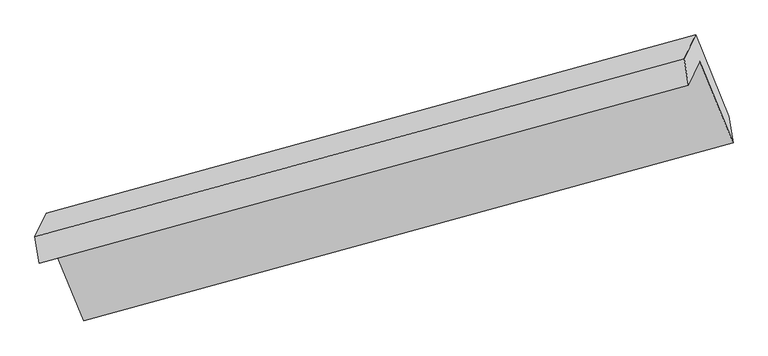
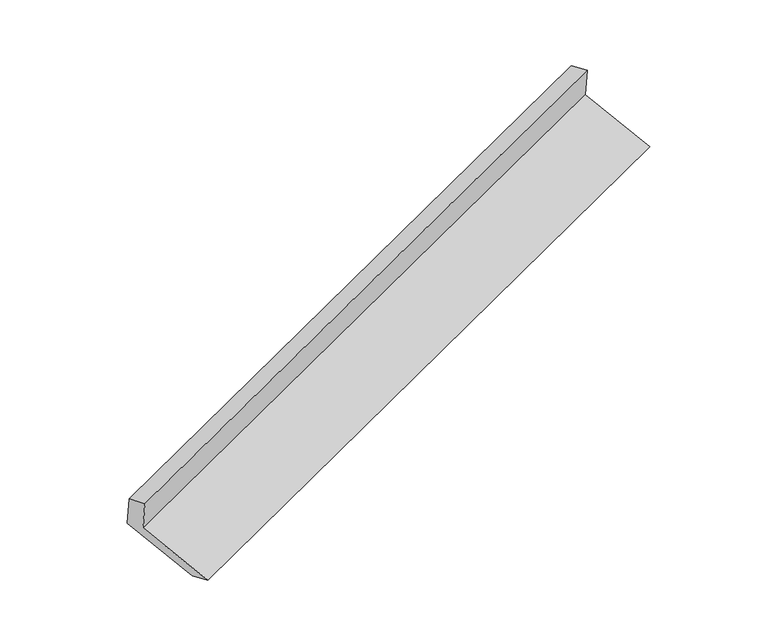
"""IFC4 building model written with IfcOpenShell, lengths in millimetres: proxy geometry."""

from ifc_helpers import new_model, si_unit, frame, origin, place, context, project, spatial, polyline, outline, extrude, source, transform, mapped, element, save


def generic_models_703a677c(model_context):
    return source(origin(), model_context, "Body", "SweptSolid", [
        extrude(outline(polyline([(-70.4622684, -142.0274757), (329.8899798, -142.0274757), (203.9130177, -296.2227031), (-196.4392305, -296.2227031), (-196.4392305, 361.1525652), (-70.4622684, 515.3477925), (-70.4622684, -142.0274757)])), frame((-5155.2790696, -2134.8216921, 1110.3869728), z_axis=(0.9121363214210673, 0.2501138962938379, 0.3247312273637371), x_axis=(-0.20048906490592988, -0.41875919396817757, 0.8856889252555143)), (0.0, 0.0, 1.0), 5030.5195664),
    ])


if __name__ == "__main__":
    model = new_model("IFC4")
    model_context = context("Model", 3, world=origin())
    ifc_project = project(units=[si_unit("LENGTHUNIT", "METRE", prefix="MILLI")], contexts=[model_context])
    site = spatial("IfcSite", under=ifc_project)
    building = spatial("IfcBuilding", under=site)
    placement = place(None, origin())
    generic_models_shape = generic_models_703a677c(model_context)
    element("IfcBuildingElementProxy", 1, Name="Generic Models", at=placement, inside=building, context=model_context, shape_type="MappedRepresentation", body=[
        mapped(generic_models_shape, transform((0.0, 0.0, 0.0), x_axis=(1.0, 0.0, 0.0), y_axis=(0.0, 1.0, 0.0), z_axis=(0.0, 0.0, 1.0))),
    ])
    save(model, "model.ifc")
